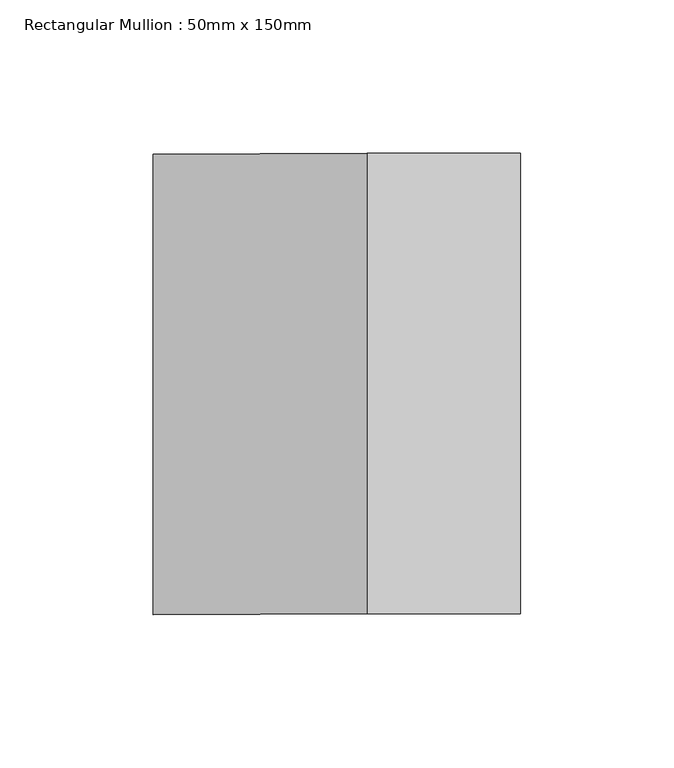
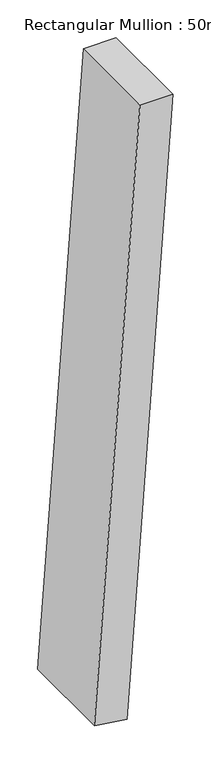
"""IFC4 building model written with IfcOpenShell, lengths in millimetres: member geometry, Rectangular Mullion : 50mm x 150mm."""

from ifc_helpers import new_model, si_unit, point, frame, frame_2d, origin, place, context, project, spatial, polyline, circle_curve, trimmed, segment, composite_curve, outline, extrude, source, transform, mapped, element, save


def rectangular_mullion_50mm_x_150mm_b17bb509(model_context):
    return source(origin(), model_context, "Body", "SweptSolid", [
        extrude(outline(composite_curve([segment(trimmed(circle_curve(frame_2d((0.0, -6914.0186607)), 6914.0186607), [point((-982.4491124, -70.156609))], [point((0.0, 0.0))], False, "CARTESIAN"), True, "CONTINUOUS"), segment(polyline([(0.0, 0.0), (0.0, -50.0)]), True, "CONTINUOUS"), segment(trimmed(circle_curve(frame_2d((0.0, -6914.0186607)), 6864.0186607), [point((0.0, -50.0))], [point((-975.3443506, -119.6492586))], True, "CARTESIAN"), True, "CONTINUOUS"), segment(polyline([(-975.3443506, -119.6492586), (-982.4491124, -70.156609)]), True, "CONTINUOUS")], self_intersect=False)), frame((0.0, -75.0, 0.0), z_axis=(0.0, 1.0, 0.0), x_axis=(0.0, 0.0, 1.0)), (0.0, 0.0, 1.0), 150.0),
    ])


if __name__ == "__main__":
    model = new_model("IFC4")
    model_context = context("Model", 3, world=origin())
    ifc_project = project(units=[si_unit("LENGTHUNIT", "METRE", prefix="MILLI")], contexts=[model_context])
    site = spatial("IfcSite", under=ifc_project)
    building = spatial("IfcBuilding", under=site)
    placement = place(None, origin())
    rectangular_mullion_50mm_x_150mm_shape = rectangular_mullion_50mm_x_150mm_b17bb509(model_context)
    element("IfcMember", 1, ObjectType="Rectangular Mullion : 50mm x 150mm", at=placement, inside=building, context=model_context, shape_type="MappedRepresentation", body=[
        mapped(rectangular_mullion_50mm_x_150mm_shape, transform((0.0, 0.0, 0.0), x_axis=(1.0, 0.0, 0.0), y_axis=(0.0, 1.0, 0.0), z_axis=(0.0, 0.0, 1.0))),
    ])
    save(model, "model.ifc")
